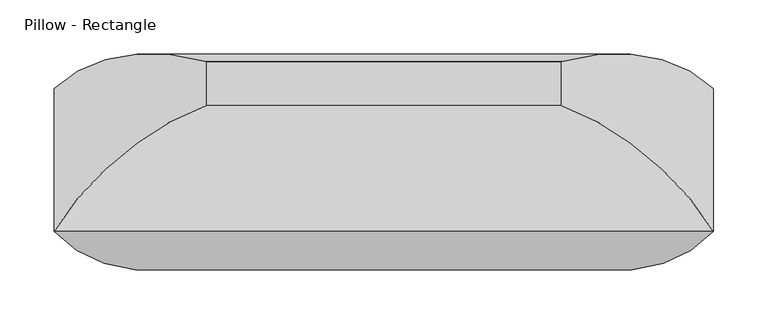
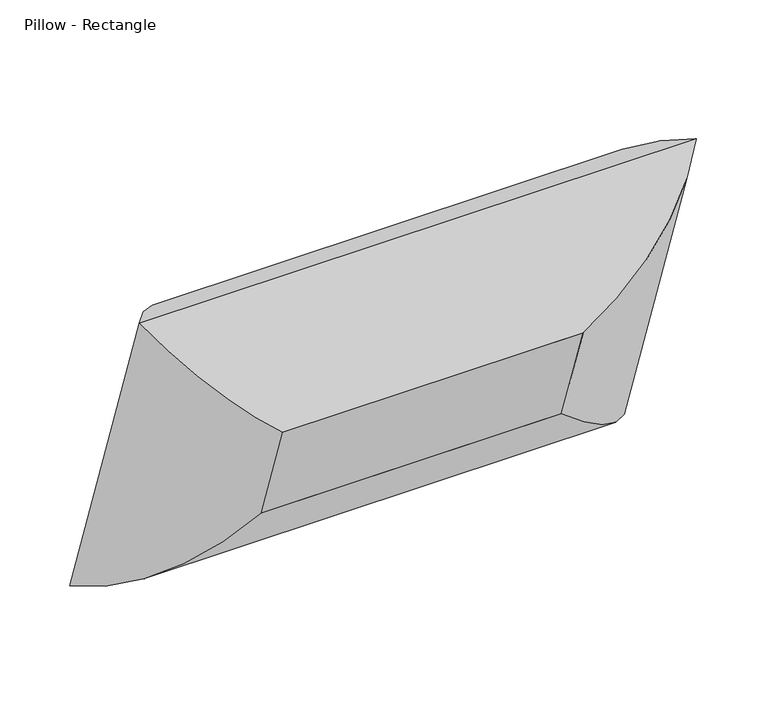
"""IFC4 building model written with IfcOpenShell, lengths in millimetres: furniture geometry, Pillow - Rectangle."""

from ifc_helpers import new_model, si_unit, frame, origin, place, context, project, spatial, polyline, ellipse_curve, outline, extrude, source, transform, mapped, element, save
from ifc_brep_helpers import plane_surface, cylinder_surface, advanced_brep


def pillow_rectangle_2eee4dec(model_context):
    return source(origin(), model_context, "Body", "SolidModel", [
        advanced_brep(
        [(-164.30625, -160.0933758, 225.7587857), (-304.4741804, -132.098745, 383.6426121), (-304.4741804, 0.0, 0.0), (-164.30625, -119.2630596, 107.1789373), (-164.30625, -15.9963448, 275.3753724), (-164.30625, 24.8339713, 156.7955241), (304.4741804, 0.0, 0.0), (164.30625, -119.2630596, 107.1789373), (164.30625, 24.8339713, 156.7955241), (304.4741804, -132.098745, 383.6426121), (164.30625, -160.0933758, 225.7587857), (164.30625, -15.9963448, 275.3753724)],
        [
            (0, 1, ellipse_curve(frame((-159.526504, 5.6897145, 277.7873233), z_axis=(-0.7071067811865476, 0.2302114497550404, -0.6685825965441237), x_axis=(-0.7071067811865475, -0.23021144975504043, 0.6685825965441238)), 245.7274984, 173.7555804)),
            (1, 2),
            (2, 3, ellipse_curve(frame((-159.526504, 43.4077645, 168.2461521), z_axis=(-0.7071067811865475, -0.2302114497550404, 0.6685825965441238), x_axis=(0.7071067811865475, -0.2302114497550404, 0.6685825965441236)), 245.7274984, 173.7555804)),
            (3, 0),
            (4, 0),
            (3, 5),
            (5, 4),
            (1, 4, ellipse_curve(frame((-155.1179464, -189.2058667, 206.0168113), z_axis=(-0.7071067811865476, 0.2302114497550404, -0.6685825965441237), x_axis=(-0.7071067811865475, -0.23021144975504043, 0.6685825965441238)), 263.8641638, 186.5801395)),
            (5, 2, ellipse_curve(frame((-155.1179464, -154.3583886, 104.8123863), z_axis=(-0.7071067811865475, -0.2302114497550404, 0.6685825965441238), x_axis=(0.7071067811865475, -0.2302114497550404, 0.6685825965441236)), 263.8641638, 186.5801395)),
            (2, 6),
            (6, 7, ellipse_curve(frame((159.526504, 43.4077645, 168.2461521), z_axis=(-0.7071067811865475, 0.2302114497550404, -0.6685825965441236), x_axis=(-0.7071067811865477, -0.23021144975504032, 0.6685825965441236)), 245.7274984, 173.7555804)),
            (7, 3),
            (7, 8),
            (8, 5),
            (8, 6, ellipse_curve(frame((155.1179464, -154.3583886, 104.8123863), z_axis=(-0.7071067811865475, 0.2302114497550404, -0.6685825965441236), x_axis=(-0.7071067811865477, -0.23021144975504032, 0.6685825965441236)), 263.8641638, 186.5801395)),
            (6, 9),
            (9, 10, ellipse_curve(frame((159.526504, 5.6897145, 277.7873233), z_axis=(0.7071067811865474, 0.23021144975504043, -0.6685825965441238), x_axis=(-0.7071067811865476, 0.23021144975504032, -0.6685825965441236)), 245.7274984, 173.7555804)),
            (10, 7),
            (10, 11),
            (11, 8),
            (11, 9, ellipse_curve(frame((155.1179464, -189.2058667, 206.0168113), z_axis=(0.7071067811865474, 0.23021144975504043, -0.6685825965441238), x_axis=(-0.7071067811865476, 0.23021144975504032, -0.6685825965441236)), 263.8641638, 186.5801395)),
            (9, 1),
            (0, 10),
            (4, 11),
        ],
        [
            cylinder_surface(frame((-159.526504, 4.1335814, 282.3066619), z_axis=(0.0, -0.3255681544571505, 0.945518575599319), x_axis=(0.0, -0.945518575599319, -0.3255681544571505)), 173.7555804),
            plane_surface(frame((-164.30625, -160.0933758, 225.7587857), z_axis=(1.0, 0.0, 0.0), x_axis=(0.0, 0.32556815445715054, -0.945518575599319))),
            cylinder_surface(frame((-155.1179464, -192.1972857, 214.704523), z_axis=(0.0, -0.3255681544571505, 0.945518575599319), x_axis=(0.0, -0.945518575599319, -0.3255681544571505)), 186.5801395),
            cylinder_surface(frame((-164.30625, 43.4077645, 168.2461521), z_axis=(-1.0, 0.0, 0.0), x_axis=(0.0, -0.945518575599319, -0.3255681544571507)), 173.7555804),
            plane_surface(frame((-164.30625, -119.2630596, 107.1789373), z_axis=(0.0, -0.3255681544571504, 0.945518575599319), x_axis=(1.0, 0.0, 0.0))),
            cylinder_surface(frame((-164.30625, -154.3583886, 104.8123863), z_axis=(-1.0, 0.0, 0.0), x_axis=(0.0, -0.945518575599319, -0.3255681544571507)), 186.5801395),
            cylinder_surface(frame((159.526504, 44.9638976, 163.7268135), z_axis=(0.0, 0.3255681544571505, -0.9455185755993191), x_axis=(0.0, -0.9455185755993191, -0.3255681544571505)), 173.7555804),
            plane_surface(frame((164.30625, -119.2630596, 107.1789373), z_axis=(-1.0000000000000002, 0.0, 0.0), x_axis=(0.0, -0.3255681544571504, 0.9455185755993191))),
            cylinder_surface(frame((155.1179464, -151.3669696, 96.1246746), z_axis=(0.0, 0.3255681544571505, -0.9455185755993191), x_axis=(0.0, -0.9455185755993191, -0.3255681544571505)), 186.5801395),
            cylinder_surface(frame((164.30625, 5.6897145, 277.7873233), z_axis=(1.0000000000000002, 0.0, 0.0), x_axis=(0.0, -0.9455185755993192, -0.32556815445715026)), 173.7555804),
            plane_surface(frame((164.30625, -160.0933758, 225.7587857), z_axis=(0.0, 0.32556815445715054, -0.9455185755993191), x_axis=(-1.0, 0.0, 0.0))),
            cylinder_surface(frame((164.30625, -189.2058667, 206.0168113), z_axis=(1.0000000000000002, 0.0, 0.0), x_axis=(0.0, -0.9455185755993192, -0.32556815445715026)), 186.5801395),
        ],
        [
            (0, [[1, 2, 3, 4]]),
            (1, [[5, -4, 6, 7]]),
            (2, [[8, -7, 9, -2]]),
            (3, [[-3, 10, 11, 12]]),
            (4, [[-6, -12, 13, 14]]),
            (5, [[-9, -14, 15, -10]]),
            (6, [[-11, 16, 17, 18]]),
            (7, [[-13, -18, 19, 20]]),
            (8, [[-15, -20, 21, -16]]),
            (9, [[-17, 22, -1, 23]]),
            (10, [[-19, -23, -5, 24]]),
            (11, [[-21, -24, -8, -22]]),
        ],
    ),
        extrude(outline(polyline([(0.0, -328.6125), (0.0, 0.0), (152.4, 0.0), (152.4, -328.6125), (0.0, -328.6125)])), frame((-164.30625, -119.2630596, 107.1789373), z_axis=(0.0, -0.32556815445715026, 0.9455185755993191), x_axis=(0.0, 0.9455185755993191, 0.32556815445715026)), (0.0, 0.0, 1.0), 125.4125),
    ])


if __name__ == "__main__":
    model = new_model("IFC4")
    model_context = context("Model", 3, world=origin())
    ifc_project = project(units=[si_unit("LENGTHUNIT", "METRE", prefix="MILLI")], contexts=[model_context])
    site = spatial("IfcSite", under=ifc_project)
    building = spatial("IfcBuilding", under=site)
    placement = place(None, origin())
    pillow_rectangle_shape = pillow_rectangle_2eee4dec(model_context)
    element("IfcFurniture", 1, ObjectType="Pillow - Rectangle", at=placement, inside=building, context=model_context, shape_type="MappedRepresentation", body=[
        mapped(pillow_rectangle_shape, transform((0.0, 0.0, 0.0), x_axis=(1.0, 0.0, 0.0), y_axis=(0.0, 1.0, 0.0), z_axis=(0.0, 0.0, 1.0))),
    ])
    save(model, "model.ifc")
